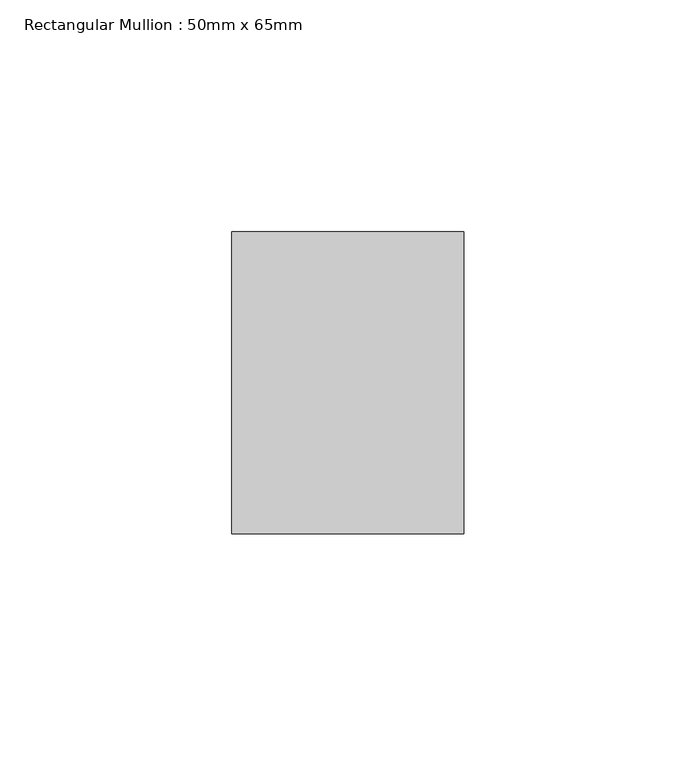
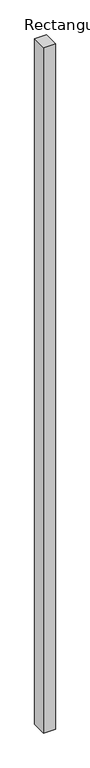
"""IFC4 building model written with IfcOpenShell, lengths in millimetres: member geometry, Rectangular Mullion : 50mm x 65mm."""

from ifc_helpers import new_model, si_unit, frame, origin, place, context, project, spatial, polyline, outline, extrude, source, transform, mapped, element, save


def rectangular_mullion_50mm_x_65mm_7e9a0b3c(model_context):
    return source(origin(), model_context, "Body", "SweptSolid", [
        extrude(outline(polyline([(25.0, 32.5), (25.0, -32.5), (-25.0, -32.5), (-25.0, 32.5), (25.0, 32.5)])), frame((0.0, 0.0, -3078.7117067), z_axis=(0.0, 0.0, 1.0), x_axis=(1.0, 0.0, 0.0)), (0.0, 0.0, 1.0), 3078.7117067),
    ])


if __name__ == "__main__":
    model = new_model("IFC4")
    model_context = context("Model", 3, world=origin())
    ifc_project = project(units=[si_unit("LENGTHUNIT", "METRE", prefix="MILLI")], contexts=[model_context])
    site = spatial("IfcSite", under=ifc_project)
    building = spatial("IfcBuilding", under=site)
    placement = place(None, origin())
    rectangular_mullion_50mm_x_65mm_shape = rectangular_mullion_50mm_x_65mm_7e9a0b3c(model_context)
    element("IfcMember", 1, ObjectType="Rectangular Mullion : 50mm x 65mm", at=placement, inside=building, context=model_context, shape_type="MappedRepresentation", body=[
        mapped(rectangular_mullion_50mm_x_65mm_shape, transform((0.0, 0.0, 0.0), x_axis=(1.0, 0.0, 0.0), y_axis=(0.0, 1.0, 0.0), z_axis=(0.0, 0.0, 1.0))),
    ])
    save(model, "model.ifc")
